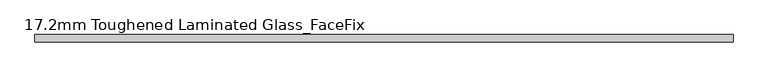
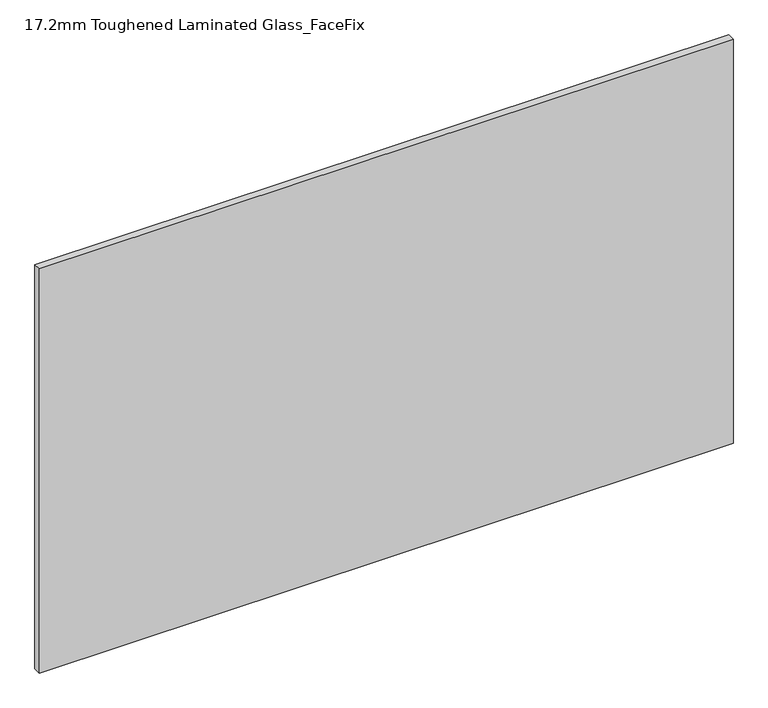
"""IFC4 building model written with IfcOpenShell, lengths in millimetres: plate geometry, 17.2mm Toughened Laminated Glass_FaceFix."""

from ifc_helpers import new_model, si_unit, origin, origin_with_axes, place, context, project, spatial, polyline, outline, extrude, source, transform, mapped, element, save


def plate_17_2mm_toughened_laminated_glass_facefix_27712722(model_context):
    return source(origin(), model_context, "Body", "SweptSolid", [
        extrude(outline(polyline([(795.0000001, -23.4), (795.0000001, -40.6), (-795.0000001, -40.6), (-795.0000001, -23.4), (795.0000001, -23.4)])), origin_with_axes(), (0.0, 0.0, 1.0), 979.0),
    ])


if __name__ == "__main__":
    model = new_model("IFC4")
    model_context = context("Model", 3, world=origin())
    ifc_project = project(units=[si_unit("LENGTHUNIT", "METRE", prefix="MILLI")], contexts=[model_context])
    site = spatial("IfcSite", under=ifc_project)
    building = spatial("IfcBuilding", under=site)
    placement = place(None, origin())
    plate_17_2mm_toughened_laminated_glass_facefix_shape = plate_17_2mm_toughened_laminated_glass_facefix_27712722(model_context)
    element("IfcPlate", 1, ObjectType="17.2mm Toughened Laminated Glass_FaceFix", at=placement, inside=building, context=model_context, shape_type="MappedRepresentation", body=[
        mapped(plate_17_2mm_toughened_laminated_glass_facefix_shape, transform((0.0, 0.0, 0.0), x_axis=(1.0, 0.0, 0.0), y_axis=(0.0, 1.0, 0.0), z_axis=(0.0, 0.0, 1.0))),
    ])
    save(model, "model.ifc")
